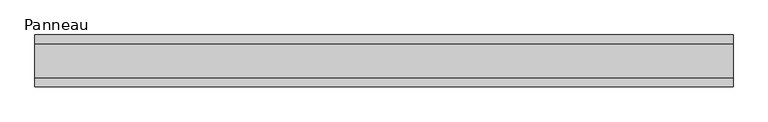
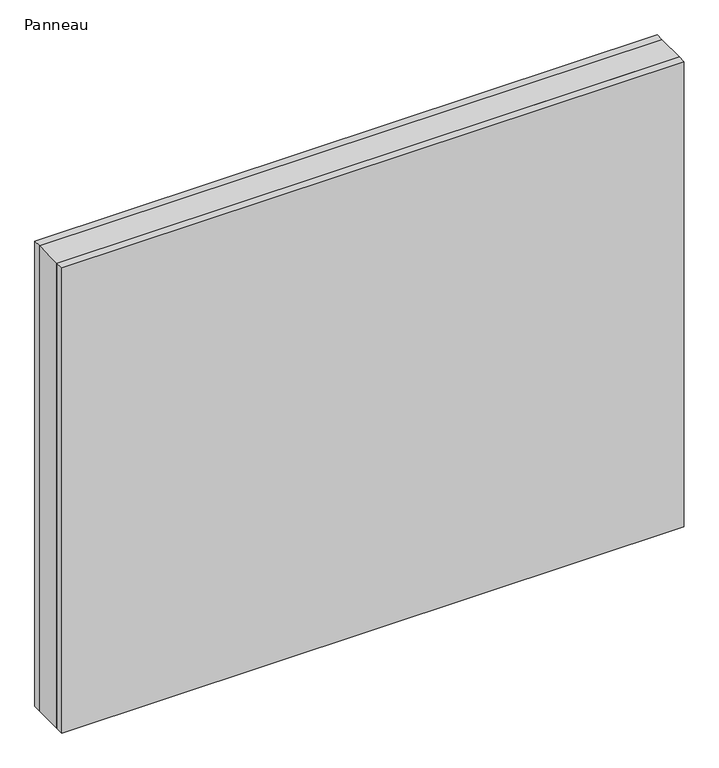
"""IFC4 building model written with IfcOpenShell, lengths in millimetres: plate geometry, Panneau."""

from ifc_helpers import new_model, si_unit, origin, origin_with_axes, place, context, project, spatial, polyline, outline, extrude, source, transform, mapped, element, save


def panneau_c4416c1a(model_context):
    return source(origin(), model_context, "Body", "SweptSolid", [
        extrude(outline(polyline([(603.3750001, 29.0), (603.3750001, -29.0), (-603.3750001, -29.0), (-603.3750001, 29.0), (603.3750001, 29.0)])), origin_with_axes(), (0.0, 0.0, 1.0), 953.5),
        extrude(outline(polyline([(603.3750001, 45.0), (603.3750001, 29.0), (-603.3750001, 29.0), (-603.3750001, 45.0), (603.3750001, 45.0)])), origin_with_axes(), (0.0, 0.0, 1.0), 953.5),
        extrude(outline(polyline([(-603.3750001, -45.0), (-603.3750001, -29.0), (603.3750001, -29.0), (603.3750001, -45.0), (-603.3750001, -45.0)])), origin_with_axes(), (0.0, 0.0, 1.0), 953.5),
    ])


if __name__ == "__main__":
    model = new_model("IFC4")
    model_context = context("Model", 3, world=origin())
    ifc_project = project(units=[si_unit("LENGTHUNIT", "METRE", prefix="MILLI")], contexts=[model_context])
    site = spatial("IfcSite", under=ifc_project)
    building = spatial("IfcBuilding", under=site)
    placement = place(None, origin())
    panneau_shape = panneau_c4416c1a(model_context)
    element("IfcPlate", 1, ObjectType="Panneau", at=placement, inside=building, context=model_context, shape_type="MappedRepresentation", body=[
        mapped(panneau_shape, transform((0.0, 0.0, 0.0), x_axis=(1.0, 0.0, 0.0), y_axis=(0.0, 1.0, 0.0), z_axis=(0.0, 0.0, 1.0))),
    ])
    save(model, "model.ifc")
